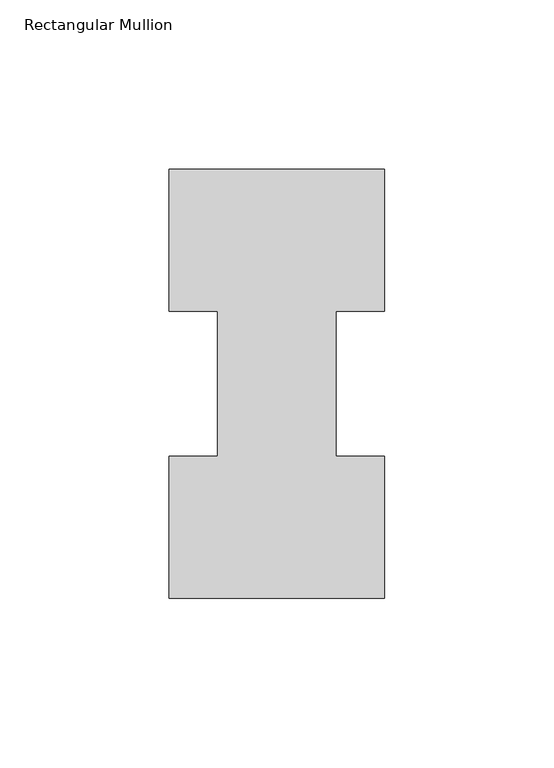
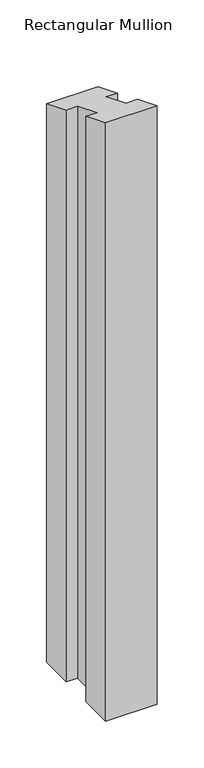
"""IFC4 building model written with IfcOpenShell, lengths in millimetres: member geometry, Rectangular Mullion."""

from ifc_helpers import new_model, si_unit, origin, place, context, project, spatial, faceted_brep, source, transform, mapped, element, save


def rectangular_mullion_95fcb3be(model_context):
    return source(origin(), model_context, "Body", "Brep", [
        faceted_brep([(-63.5, 0.2967757, -781.01825), (-63.5, 42.1178757, -781.01825), (-49.2125, 42.1178757, -781.01825), (-49.2125, 84.93125, -781.01825), (-63.5, 84.93125, -781.01825), (-63.5, 126.7887757, -781.01825), (0.0, 126.7887757, -781.01825), (0.0, 84.93125, -781.01825), (-14.2748, 84.93125, -781.01825), (-14.2748, 42.1178757, -781.01825), (0.0, 42.1178757, -781.01825), (0.0, 0.2967757, -781.01825), (0.0, 0.2967757, -0.1229285), (-63.5, 0.2967757, -0.1229285), (0.0, 42.1178757, -17.4457953), (-14.2748, 42.1178757, -17.4457953), (-14.2748, 84.93125, -35.1796756), (0.0, 84.93125, -35.1796756), (0.0, 126.7887757, -52.5176304), (-63.5, 126.7887757, -52.5176304), (-63.5, 84.93125, -35.1796756), (-49.2125, 84.93125, -35.1796756), (-49.2125, 42.1178757, -17.4457953), (-63.5, 42.1178757, -17.4457953)], [[[0, 1, 2, 3, 4, 5, 6, 7, 8, 9, 10, 11]], [[12, 13, 0, 11]], [[14, 12, 11, 10]], [[15, 14, 10, 9]], [[16, 15, 9, 8]], [[17, 16, 8, 7]], [[18, 17, 7, 6]], [[19, 18, 6, 5]], [[20, 19, 5, 4]], [[21, 20, 4, 3]], [[22, 21, 3, 2]], [[23, 22, 2, 1]], [[13, 23, 1, 0]], [[13, 12, 14, 15, 16, 17, 18, 19, 20, 21, 22, 23]]]),
    ])


if __name__ == "__main__":
    model = new_model("IFC4")
    model_context = context("Model", 3, world=origin())
    ifc_project = project(units=[si_unit("LENGTHUNIT", "METRE", prefix="MILLI")], contexts=[model_context])
    site = spatial("IfcSite", under=ifc_project)
    building = spatial("IfcBuilding", under=site)
    placement = place(None, origin())
    rectangular_mullion_shape = rectangular_mullion_95fcb3be(model_context)
    element("IfcMember", 1, ObjectType="Rectangular Mullion", at=placement, inside=building, context=model_context, shape_type="MappedRepresentation", body=[
        mapped(rectangular_mullion_shape, transform((0.0, 0.0, 0.0), x_axis=(1.0, 0.0, 0.0), y_axis=(0.0, 1.0, 0.0), z_axis=(0.0, 0.0, 1.0))),
    ])
    save(model, "model.ifc")
